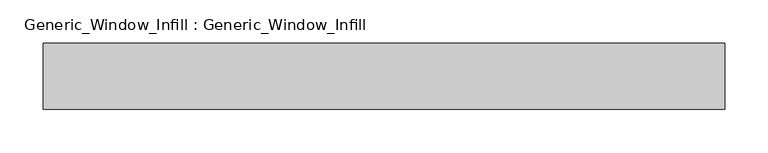
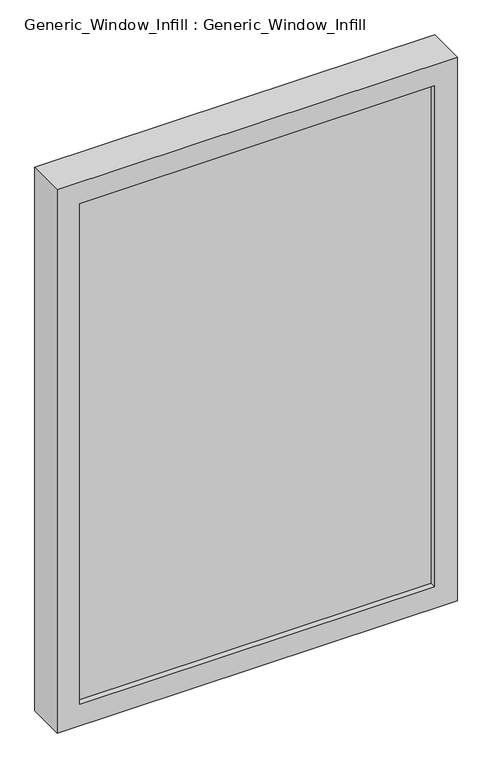
"""IFC4 building model written with IfcOpenShell, lengths in millimetres: plate geometry, Generic_Window_Infill : Generic_Window_Infill."""

from ifc_helpers import new_model, si_unit, frame, origin, place, context, project, spatial, polyline, outline, extrude, source, transform, mapped, element, save


def generic_window_infill_generic_window_infill_e0cc3bb3(model_context):
    return source(origin(), model_context, "Body", "SweptSolid", [
        extrude(outline(polyline([(349.25, 12.0261239), (-349.25, 12.0261239), (-349.25, 42.4497356), (349.25, 42.4497356), (349.25, 12.0261239)])), frame((0.0, 0.0, 44.45), z_axis=(0.0, 0.0, 1.0), x_axis=(1.0, 0.0, 0.0)), (0.0, 0.0, 1.0), 1041.4),
        extrude(outline(polyline([(1130.3, 393.7), (1130.3, -393.7), (0.0, -393.7), (0.0, 393.7), (1130.3, 393.7)]), holes=[polyline([(44.45, 349.25), (44.45, -349.25), (1085.85, -349.25), (1085.85, 349.25), (44.45, 349.25)])]), frame((0.0, 0.0, 0.0), z_axis=(0.0, 1.0, 0.0), x_axis=(0.0, 0.0, 1.0)), (0.0, 0.0, 1.0), 76.2),
    ])


if __name__ == "__main__":
    model = new_model("IFC4")
    model_context = context("Model", 3, world=origin())
    ifc_project = project(units=[si_unit("LENGTHUNIT", "METRE", prefix="MILLI")], contexts=[model_context])
    site = spatial("IfcSite", under=ifc_project)
    building = spatial("IfcBuilding", under=site)
    placement = place(None, origin())
    generic_window_infill_generic_window_infill_shape = generic_window_infill_generic_window_infill_e0cc3bb3(model_context)
    element("IfcPlate", 1, ObjectType="Generic_Window_Infill : Generic_Window_Infill", at=placement, inside=building, context=model_context, shape_type="MappedRepresentation", body=[
        mapped(generic_window_infill_generic_window_infill_shape, transform((0.0, 0.0, 0.0), x_axis=(1.0, 0.0, 0.0), y_axis=(0.0, 1.0, 0.0), z_axis=(0.0, 0.0, 1.0))),
    ])
    save(model, "model.ifc")
